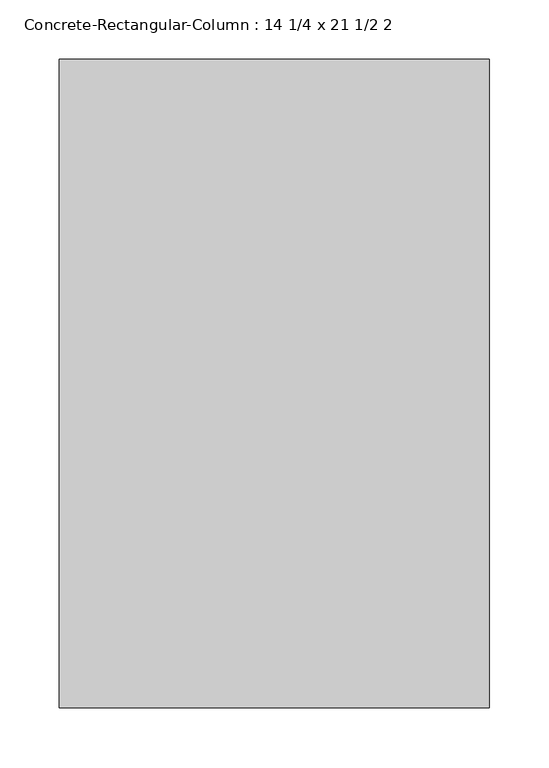
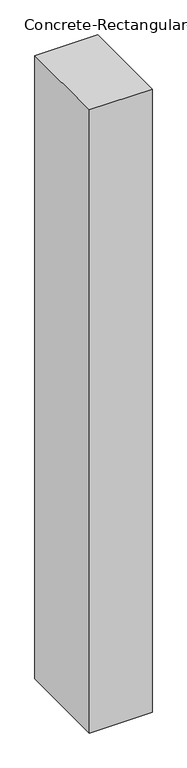
"""IFC4 building model written with IfcOpenShell, lengths in millimetres: column geometry, Concrete-Rectangular-Column : 14 1/4 x 21 1/2 2."""

from ifc_helpers import new_model, si_unit, origin, origin_with_axes, place, context, project, spatial, polyline, outline, extrude, source, transform, mapped, element, save


def concrete_rectangular_column_14_1_4_x_21_1_2_2_a856bb24(model_context):
    return source(origin(), model_context, "Body", "SweptSolid", [
        extrude(outline(polyline([(180.975, 273.05), (180.975, -273.05), (-180.975, -273.05), (-180.975, 273.05), (180.975, 273.05)])), origin_with_axes(), (0.0, 0.0, 1.0), 3810.0),
    ])


if __name__ == "__main__":
    model = new_model("IFC4")
    model_context = context("Model", 3, world=origin())
    ifc_project = project(units=[si_unit("LENGTHUNIT", "METRE", prefix="MILLI")], contexts=[model_context])
    site = spatial("IfcSite", under=ifc_project)
    building = spatial("IfcBuilding", under=site)
    placement = place(None, origin())
    concrete_rectangular_column_14_1_4_x_21_1_2_2_shape = concrete_rectangular_column_14_1_4_x_21_1_2_2_a856bb24(model_context)
    element("IfcColumn", 1, ObjectType="Concrete-Rectangular-Column : 14 1/4 x 21 1/2 2", at=placement, inside=building, context=model_context, shape_type="MappedRepresentation", body=[
        mapped(concrete_rectangular_column_14_1_4_x_21_1_2_2_shape, transform((0.0, 0.0, 0.0), x_axis=(1.0, 0.0, 0.0), y_axis=(0.0, 1.0, 0.0), z_axis=(0.0, 0.0, 1.0))),
    ])
    save(model, "model.ifc")
